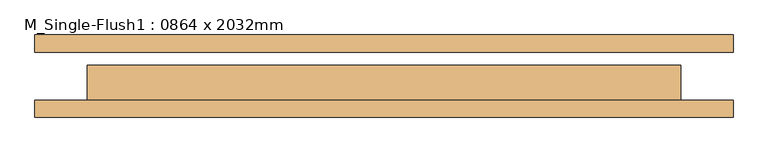
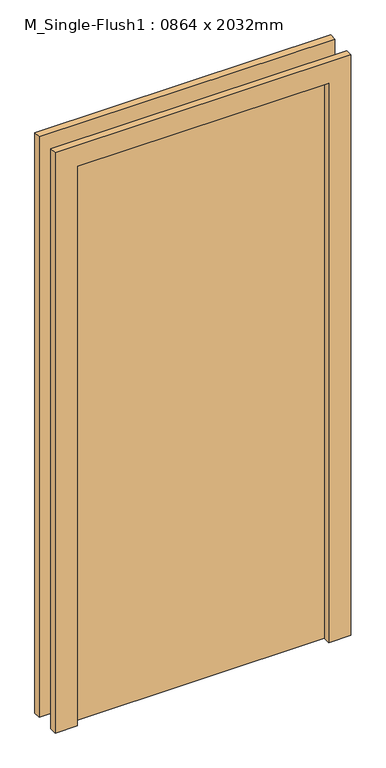
"""IFC4 building model written with IfcOpenShell, lengths in millimetres: door geometry, M_Single-Flush1 : 0864 x 2032mm."""

from ifc_helpers import new_model, si_unit, frame, origin, origin_with_axes, place, context, project, spatial, polyline, outline, extrude, source, transform, mapped, element, save


def m_single_flush1_0864_x_2032mm_d1fd89e9(model_context):
    return source(origin(), model_context, "Body", "SweptSolid", [
        extrude(outline(polyline([(2108.0, -508.0), (0.0, -508.0), (0.0, -432.0), (2032.0, -432.0), (2032.0, 432.0), (0.0, 432.0), (0.0, 508.0), (2108.0, 508.0), (2108.0, -508.0)])), frame((0.0, -60.0, 0.0), z_axis=(0.0, 1.0, 0.0), x_axis=(0.0, 0.0, 1.0)), (0.0, 0.0, 1.0), 25.0),
        extrude(outline(polyline([(2108.0, 508.0), (2108.0, -508.0), (0.0, -508.0), (0.0, -432.0), (2032.0, -432.0), (2032.0, 432.0), (0.0, 432.0), (0.0, 508.0), (2108.0, 508.0)])), frame((0.0, 35.0, 0.0), z_axis=(0.0, 1.0, 0.0), x_axis=(0.0, 0.0, 1.0)), (0.0, 0.0, 1.0), 25.0),
        extrude(outline(polyline([(432.0, 16.0), (432.0, -35.0), (-432.0, -35.0), (-432.0, 16.0), (432.0, 16.0)])), origin_with_axes(), (0.0, 0.0, 1.0), 2032.0),
    ])


if __name__ == "__main__":
    model = new_model("IFC4")
    model_context = context("Model", 3, world=origin())
    ifc_project = project(units=[si_unit("LENGTHUNIT", "METRE", prefix="MILLI")], contexts=[model_context])
    site = spatial("IfcSite", under=ifc_project)
    building = spatial("IfcBuilding", under=site)
    placement = place(None, origin())
    m_single_flush1_0864_x_2032mm_shape = m_single_flush1_0864_x_2032mm_d1fd89e9(model_context)
    element("IfcDoor", 1, ObjectType="M_Single-Flush1 : 0864 x 2032mm", at=placement, inside=building, context=model_context, shape_type="MappedRepresentation", body=[
        mapped(m_single_flush1_0864_x_2032mm_shape, transform((0.0, 0.0, 0.0), x_axis=(1.0, 0.0, 0.0), y_axis=(0.0, 1.0, 0.0), z_axis=(0.0, 0.0, 1.0))),
    ])
    save(model, "model.ifc")
